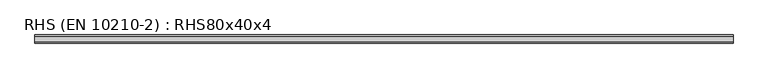
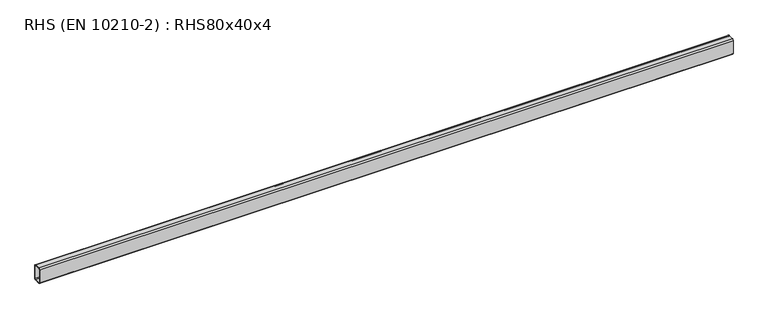
"""IFC4 building model written with IfcOpenShell, lengths in millimetres: beam geometry, RHS (EN 10210-2) : RHS80x40x4."""

from ifc_helpers import new_model, si_unit, point, frame, frame_2d, origin, place, context, project, spatial, polyline, circle_curve, trimmed, segment, composite_curve, outline, extrude, source, transform, mapped, element, save


def rhs_en_10210_2_rhs80x40x4_d2dc6699(model_context):
    return source(origin(), model_context, "Body", "SweptSolid", [
        extrude(outline(composite_curve([segment(polyline([(20.0, 34.0), (20.0, -34.0)]), True, "CONTINUOUS"), segment(trimmed(circle_curve(frame_2d((14.0, -34.0)), 6.0), [point((20.0, -34.0))], [point((14.0, -40.0))], False, "CARTESIAN"), True, "CONTINUOUS"), segment(polyline([(14.0, -40.0), (-14.0, -40.0)]), True, "CONTINUOUS"), segment(trimmed(circle_curve(frame_2d((-14.0, -34.0)), 6.0), [point((-14.0, -40.0))], [point((-20.0, -34.0))], False, "CARTESIAN"), True, "CONTINUOUS"), segment(polyline([(-20.0, -34.0), (-20.0, 34.0)]), True, "CONTINUOUS"), segment(trimmed(circle_curve(frame_2d((-14.0, 34.0)), 6.0), [point((-20.0, 34.0))], [point((-14.0, 40.0))], False, "CARTESIAN"), True, "CONTINUOUS"), segment(polyline([(-14.0, 40.0), (14.0, 40.0)]), True, "CONTINUOUS"), segment(trimmed(circle_curve(frame_2d((14.0, 34.0)), 6.0), [point((14.0, 40.0))], [point((20.0, 34.0))], False, "CARTESIAN"), True, "CONTINUOUS")], self_intersect=False), holes=[composite_curve([segment(trimmed(circle_curve(frame_2d((-12.0, 32.0)), 4.0), [point((-12.0, 36.0))], [point((-16.0, 32.0))], True, "CARTESIAN"), True, "CONTINUOUS"), segment(polyline([(-16.0, 32.0), (-16.0, -32.0)]), True, "CONTINUOUS"), segment(trimmed(circle_curve(frame_2d((-12.0, -32.0)), 4.0), [point((-16.0, -32.0))], [point((-12.0, -36.0))], True, "CARTESIAN"), True, "CONTINUOUS"), segment(polyline([(-12.0, -36.0), (12.0, -36.0)]), True, "CONTINUOUS"), segment(trimmed(circle_curve(frame_2d((12.0, -32.0)), 4.0), [point((12.0, -36.0))], [point((16.0, -32.0))], True, "CARTESIAN"), True, "CONTINUOUS"), segment(polyline([(16.0, -32.0), (16.0, 32.0)]), True, "CONTINUOUS"), segment(trimmed(circle_curve(frame_2d((12.0, 32.0)), 4.0), [point((16.0, 32.0))], [point((12.0, 36.0))], True, "CARTESIAN"), True, "CONTINUOUS"), segment(polyline([(12.0, 36.0), (-12.0, 36.0)]), True, "CONTINUOUS")], self_intersect=False)]), frame((-2039.45, 0.0, 0.0), z_axis=(1.0, 0.0, 0.0), x_axis=(0.0, 1.0, 0.0)), (0.0, 0.0, 1.0), 3447.8),
    ])


if __name__ == "__main__":
    model = new_model("IFC4")
    model_context = context("Model", 3, world=origin())
    ifc_project = project(units=[si_unit("LENGTHUNIT", "METRE", prefix="MILLI")], contexts=[model_context])
    site = spatial("IfcSite", under=ifc_project)
    building = spatial("IfcBuilding", under=site)
    placement = place(None, origin())
    rhs_en_10210_2_rhs80x40x4_shape = rhs_en_10210_2_rhs80x40x4_d2dc6699(model_context)
    element("IfcBeam", 1, ObjectType="RHS (EN 10210-2) : RHS80x40x4", at=placement, inside=building, context=model_context, shape_type="MappedRepresentation", body=[
        mapped(rhs_en_10210_2_rhs80x40x4_shape, transform((0.0, 0.0, 0.0), x_axis=(1.0, 0.0, 0.0), y_axis=(0.0, 1.0, 0.0), z_axis=(0.0, 0.0, 1.0))),
    ])
    save(model, "model.ifc")
